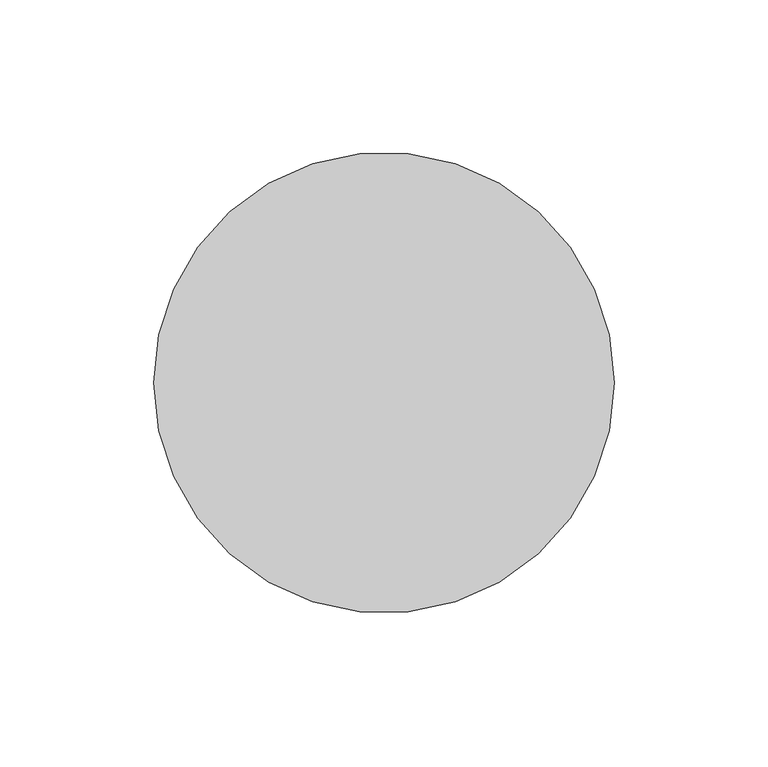
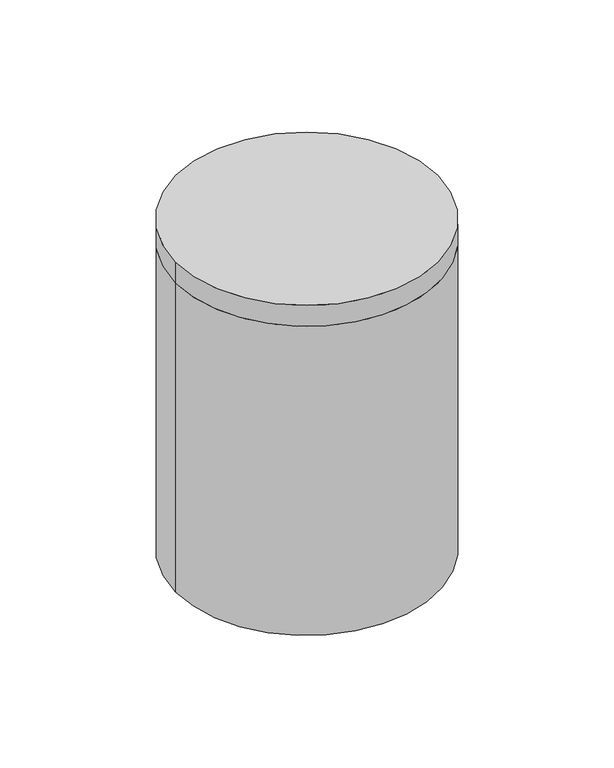
"""IFC4 building model written with IfcOpenShell, lengths in millimetres: light fixture geometry."""

from ifc_helpers import new_model, si_unit, point, frame, origin, origin_2d, place, context, project, spatial, circle_curve, trimmed, segment, composite_curve, outline, extrude, source, transform, mapped, element, save


def light_fixture_9e946963(model_context):
    return source(origin(), model_context, "Body", "SweptSolid", [
        extrude(outline(composite_curve([segment(trimmed(circle_curve(origin_2d(), 75.0), [point((-75.0, 0.0))], [point((75.0, 0.0))], False, "CARTESIAN"), True, "CONTINUOUS"), segment(trimmed(circle_curve(origin_2d(), 75.0), [point((75.0, 0.0))], [point((-75.0, 0.0))], False, "CARTESIAN"), True, "CONTINUOUS")], self_intersect=False)), frame((0.0, 0.0, 2625.7), z_axis=(0.0, 0.0, 1.0), x_axis=(1.0, 0.0, 0.0)), (0.0, 0.0, 1.0), 12.7),
        extrude(outline(composite_curve([segment(trimmed(circle_curve(origin_2d(), 75.0), [point((-75.0, 0.0))], [point((75.0, 0.0))], False, "CARTESIAN"), True, "CONTINUOUS"), segment(trimmed(circle_curve(origin_2d(), 75.0), [point((75.0, 0.0))], [point((-75.0, 0.0))], False, "CARTESIAN"), True, "CONTINUOUS")], self_intersect=False), holes=[composite_curve([segment(trimmed(circle_curve(origin_2d(), 62.3), [point((-62.3, 0.0))], [point((62.3, 0.0))], True, "CARTESIAN"), True, "CONTINUOUS"), segment(trimmed(circle_curve(origin_2d(), 62.3), [point((62.3, 0.0))], [point((-62.3, 0.0))], True, "CARTESIAN"), True, "CONTINUOUS")], self_intersect=False)]), frame((0.0, 0.0, 2438.4), z_axis=(0.0, 0.0, 1.0), x_axis=(1.0, 0.0, 0.0)), (0.0, 0.0, 1.0), 187.3),
    ])


if __name__ == "__main__":
    model = new_model("IFC4")
    model_context = context("Model", 3, world=origin())
    ifc_project = project(units=[si_unit("LENGTHUNIT", "METRE", prefix="MILLI")], contexts=[model_context])
    site = spatial("IfcSite", under=ifc_project)
    building = spatial("IfcBuilding", under=site)
    placement = place(None, origin())
    light_fixture_shape = light_fixture_9e946963(model_context)
    element("IfcLightFixture", 1, at=placement, inside=building, context=model_context, shape_type="MappedRepresentation", body=[
        mapped(light_fixture_shape, transform((0.0, 0.0, 0.0), x_axis=(1.0, 0.0, 0.0), y_axis=(0.0, 1.0, 0.0), z_axis=(0.0, 0.0, 1.0))),
    ])
    save(model, "model.ifc")
